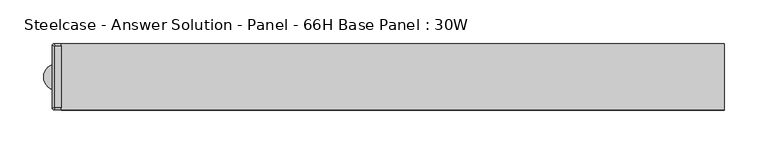
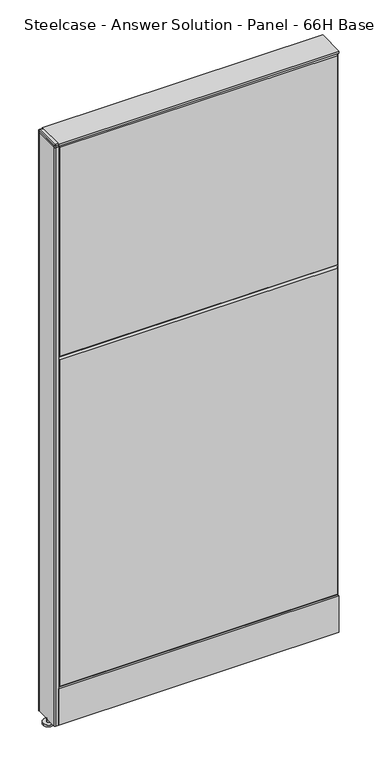
"""IFC4 building model written with IfcOpenShell, lengths in millimetres: furniture geometry, Steelcase - Answer Solution - Panel - 66H Base Panel : 30W."""

from ifc_helpers import new_model, si_unit, point, frame, frame_2d, origin, place, context, project, spatial, polyline, circle_curve, trimmed, segment, composite_curve, outline, extrude, faceted_brep, source, transform, mapped, element, save
from ifc_brep_helpers import plane_surface, spline_surface, advanced_brep


def steelcase_answer_solution_panel_66h_base_panel_30w_df7f17a4(model_context):
    return source(origin(), model_context, "Body", "SolidModel", [
        extrude(outline(composite_curve([segment(trimmed(circle_curve(frame_2d((-386.08, -0.0320214)), 5.08), [point((-391.16, -0.0320214))], [point((-381.0, -0.0320214))], False, "CARTESIAN"), True, "CONTINUOUS"), segment(trimmed(circle_curve(frame_2d((-386.08, -0.0320214)), 5.08), [point((-381.0, -0.0320214))], [point((-391.16, -0.0320214))], False, "CARTESIAN"), True, "CONTINUOUS")], self_intersect=False)), frame((0.0, 0.0, 5.0799671), z_axis=(0.0, 0.0, 1.0), x_axis=(1.0, 0.0, 0.0)), (0.0, 0.0, 1.0), 10.414),
        extrude(outline(composite_curve([segment(trimmed(circle_curve(frame_2d((-386.08, -0.0320214)), 15.24), [point((-401.32, -0.0320214))], [point((-370.84, -0.0320214))], False, "CARTESIAN"), True, "CONTINUOUS"), segment(trimmed(circle_curve(frame_2d((-386.08, -0.0320214)), 15.24), [point((-370.84, -0.0320214))], [point((-401.32, -0.0320214))], False, "CARTESIAN"), True, "CONTINUOUS")], self_intersect=False)), frame((0.0, 0.0, -3.29e-05), z_axis=(0.0, 0.0, 1.0), x_axis=(1.0, 0.0, 0.0)), (0.0, 0.0, 1.0), 5.08),
        advanced_brep(
        [(-388.3406, 35.2485592, 1682.7499671), (-388.3406, -35.3126408, 1682.7499671), (-381.0, -35.3126408, 1682.7499671), (-381.0, 35.2485592, 1682.7499671), (-389.2151197, 38.0679592, 1680.8704), (-391.16, 36.1230789, 1680.8704), (-391.16, -36.2403105, 1680.8704), (-389.2682696, -38.1320408, 1680.8704), (-381.0, -38.1320408, 1680.8704), (-381.0, 38.0679592, 1680.8704)],
        [
            (0, 1),
            (1, 2),
            (2, 3),
            (3, 0),
            (4, 5, circle_curve(frame((-389.2151197, 36.1230789, 1680.8704), z_axis=(0.0, 0.0, 1.0), x_axis=(0.0, -1.0, 0.0)), 1.9448803)),
            (5, 0),
            (0, 4),
            (5, 6),
            (6, 1),
            (6, 7, circle_curve(frame((-389.2682696, -36.2403105, 1680.8704), z_axis=(0.0, 0.0, 1.0), x_axis=(0.0, -1.0, 0.0)), 1.8917304)),
            (7, 1),
            (7, 8),
            (8, 2),
            (8, 9),
            (9, 3),
            (9, 4),
        ],
        [
            plane_surface(frame((-384.6703, -0.0320408, 1682.7499671), z_axis=(0.0, 0.0, 1.0), x_axis=(0.0, -1.0, 0.0))),
            spline_surface(2, 1, [[(-389.2151197, 38.0679592, 1680.8704), (-388.3406, 35.2485592, 1682.7499671)], [(-391.15999999999997, 38.06795919999997, 1680.8704), (-388.3406, 35.2485592, 1682.7499671)], [(-391.16, 36.1230789, 1680.8704), (-388.3406, 35.2485592, 1682.7499671)]], [3, 3], [2, 2], [0.0, 1.0], [0.0, 1.0], weights=[[1.0, 1.0], [0.7071067811865527, 0.7071067811865527], [1.0, 1.0]]),
            plane_surface(frame((-391.16, -0.0586158, 1680.8704), z_axis=(-0.554693465401931, 0.0, 0.832054781514052), x_axis=(0.0, -1.0, 0.0))),
            spline_surface(2, 1, [[(-391.16, -36.2403105, 1680.8704), (-388.3406, -35.3126408, 1682.7499671)], [(-391.16000010000005, -38.13204090000003, 1680.8704), (-388.3406, -35.3126408, 1682.7499671)], [(-389.2682696, -38.1320408, 1680.8704), (-388.3406, -35.3126408, 1682.7499671)]], [3, 3], [2, 2], [0.0, 1.0], [0.0, 1.0], weights=[[1.0, 1.0], [0.7071067624971249, 0.7071067624971249], [1.0, 1.0]]),
            plane_surface(frame((-385.1341348, -38.1320408, 1680.8704), z_axis=(0.0, -0.5546934654026133, 0.8320547815135972), x_axis=(1.0, 0.0, 0.0))),
            plane_surface(frame((-381.0, -0.0320408, 1680.8704), z_axis=(1.0, 0.0, 0.0), x_axis=(0.0, 1.0, 0.0))),
            plane_surface(frame((-385.1075599, 38.0679592, 1680.8704), z_axis=(0.0, 0.5546934654017167, 0.8320547815141949), x_axis=(-1.0, 0.0, 0.0))),
            plane_surface(frame((-387.1338982, -0.0408991, 1680.8704), z_axis=(0.0, 0.0, -1.0), x_axis=(0.0, -1.0, 0.0))),
        ],
        [
            (0, [[1, 2, 3, 4]]),
            (1, [[5, 6, 7]]),
            (2, [[8, 9, -1, -6]]),
            (3, [[10, 11, -9]]),
            (4, [[12, 13, -2, -11]]),
            (5, [[14, 15, -3, -13]]),
            (6, [[16, -7, -4, -15]]),
            (7, [[-16, -14, -12, -10, -8, -5]]),
        ],
    ),
        extrude(outline(composite_curve([segment(polyline([(-391.16, -36.2403105), (-391.16, 36.1230789)]), True, "CONTINUOUS"), segment(trimmed(circle_curve(frame_2d((-389.2151197, 36.1230789)), 1.9448803), [point((-391.16, 36.1230789))], [point((-389.2151197, 38.0679592))], False, "CARTESIAN"), True, "CONTINUOUS"), segment(polyline([(-389.2151197, 38.0679592), (-381.0, 38.0679592), (-381.0, -38.1320408), (-389.2682696, -38.1320408)]), True, "CONTINUOUS"), segment(trimmed(circle_curve(frame_2d((-389.2682696, -36.2403105)), 1.8917304), [point((-389.2682696, -38.1320408))], [point((-391.16, -36.2403105))], False, "CARTESIAN"), True, "CONTINUOUS")], self_intersect=False)), frame((0.0, 0.0, 1675.4348), z_axis=(0.0, 0.0, 1.0), x_axis=(1.0, 0.0, 0.0)), (0.0, 0.0, 1.0), 5.4356),
        extrude(outline(composite_curve([segment(polyline([(-391.16, -36.2599466), (-391.16, 36.1273143)]), True, "CONTINUOUS"), segment(trimmed(circle_curve(frame_2d((-389.2193552, 36.1273143)), 1.9406448), [point((-391.16, 36.1273143))], [point((-389.2193552, 38.0679592))], False, "CARTESIAN"), True, "CONTINUOUS"), segment(polyline([(-389.2193552, 38.0679592), (-381.0, 38.0679592), (-381.0, -38.1320408), (-389.2879058, -38.1320408)]), True, "CONTINUOUS"), segment(trimmed(circle_curve(frame_2d((-389.2879058, -36.2599466)), 1.8720942), [point((-389.2879058, -38.1320408))], [point((-391.16, -36.2599466))], False, "CARTESIAN"), True, "CONTINUOUS")], self_intersect=False)), frame((0.0, 0.0, 15.4939671), z_axis=(0.0, 0.0, 1.0), x_axis=(1.0, 0.0, 0.0)), (0.0, 0.0, 1.0), 1659.9408329),
        faceted_brep([(-376.174, -38.1635011, 1671.574), (-376.174, -38.1635011, 1071.626), (376.174, -38.1635011, 1071.626), (376.174, -38.1635011, 1671.574), (-381.0, -33.3375011, 1676.4), (381.0, -33.3375011, 1676.4), (381.0, -33.3375011, 1066.8), (-381.0, -33.3375011, 1066.8)], [[[0, 1, 2, 3]], [[4, 5, 6, 7]], [[4, 0, 3, 5]], [[5, 3, 2, 6]], [[6, 2, 1, 7]], [[7, 1, 0, 4]]]),
        faceted_brep([(-376.174, -38.1635011, 1061.974), (-376.174, -38.1635011, 125.476), (376.174, -38.1635011, 125.476), (376.174, -38.1635011, 1061.974), (-381.0, -33.3375011, 1066.8), (381.0, -33.3375011, 1066.8), (381.0, -33.3375011, 120.65), (-381.0, -33.3375011, 120.65)], [[[0, 1, 2, 3]], [[4, 5, 6, 7]], [[4, 0, 3, 5]], [[5, 3, 2, 6]], [[6, 2, 1, 7]], [[7, 1, 0, 4]]]),
        faceted_brep([(376.174, 38.1635011, 1671.574), (376.174, 38.1635011, 1071.626), (-376.174, 38.1635011, 1071.626), (-376.174, 38.1635011, 1671.574), (381.0, 33.3375011, 1676.4), (-381.0, 33.3375011, 1676.4), (-381.0, 33.3375011, 1066.8), (381.0, 33.3375011, 1066.8)], [[[0, 1, 2, 3]], [[4, 5, 6, 7]], [[4, 0, 3, 5]], [[5, 3, 2, 6]], [[6, 2, 1, 7]], [[7, 1, 0, 4]]]),
        faceted_brep([(376.174, 38.1635011, 1061.974), (376.174, 38.1635011, 125.476), (-376.174, 38.1635011, 125.476), (-376.174, 38.1635011, 1061.974), (381.0, 33.3375011, 1066.8), (-381.0, 33.3375011, 1066.8), (-381.0, 33.3375011, 120.65), (381.0, 33.3375011, 120.65)], [[[0, 1, 2, 3]], [[4, 5, 6, 7]], [[4, 0, 3, 5]], [[5, 3, 2, 6]], [[6, 2, 1, 7]], [[7, 1, 0, 4]]]),
        extrude(outline(polyline([(381.0, -38.1000194), (-381.0, -38.1000194), (-381.0, 38.1000194), (381.0, 38.1000194), (381.0, -38.1000194)])), frame((0.0, 0.0, 1676.4), z_axis=(0.0, 0.0, 1.0), x_axis=(1.0, 0.0, 0.0)), (0.0, 0.0, 1.0), 6.35),
        extrude(outline(polyline([(-25.4000011, 119.8575157), (-37.3075215, 119.8575157), (-37.3075215, 15.494), (-38.1000194, 15.494), (-38.1000194, 120.65), (-25.4000011, 120.65), (-25.4000011, 119.8575157)])), frame((-381.0, 0.0, 0.0), z_axis=(1.0, 0.0, 0.0), x_axis=(0.0, 1.0, 0.0)), (0.0, 0.0, 1.0), 762.0),
        extrude(outline(polyline([(25.4000011, 119.8575157), (25.4000011, 120.65), (38.1000194, 120.65), (38.1000194, 15.494), (37.3075215, 15.494), (37.3075215, 119.8575157), (25.4000011, 119.8575157)])), frame((-381.0, 0.0, 0.0), z_axis=(1.0, 0.0, 0.0), x_axis=(0.0, 1.0, 0.0)), (0.0, 0.0, 1.0), 762.0),
    ])


if __name__ == "__main__":
    model = new_model("IFC4")
    model_context = context("Model", 3, world=origin())
    ifc_project = project(units=[si_unit("LENGTHUNIT", "METRE", prefix="MILLI")], contexts=[model_context])
    site = spatial("IfcSite", under=ifc_project)
    building = spatial("IfcBuilding", under=site)
    placement = place(None, origin())
    steelcase_answer_solution_panel_66h_base_panel_30w_shape = steelcase_answer_solution_panel_66h_base_panel_30w_df7f17a4(model_context)
    element("IfcFurniture", 1, ObjectType="Steelcase - Answer Solution - Panel - 66H Base Panel : 30W", at=placement, inside=building, context=model_context, shape_type="MappedRepresentation", body=[
        mapped(steelcase_answer_solution_panel_66h_base_panel_30w_shape, transform((0.0, 0.0, 0.0), x_axis=(1.0, 0.0, 0.0), y_axis=(0.0, 1.0, 0.0), z_axis=(0.0, 0.0, 1.0))),
    ])
    save(model, "model.ifc")
